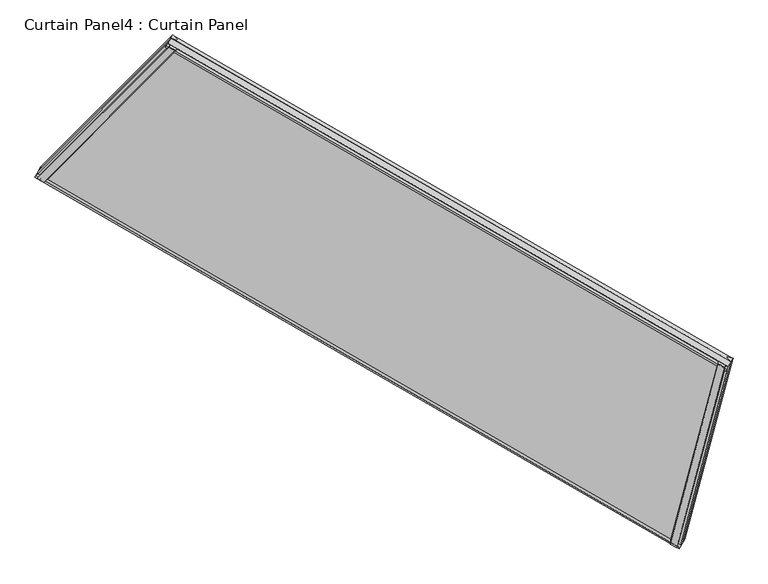
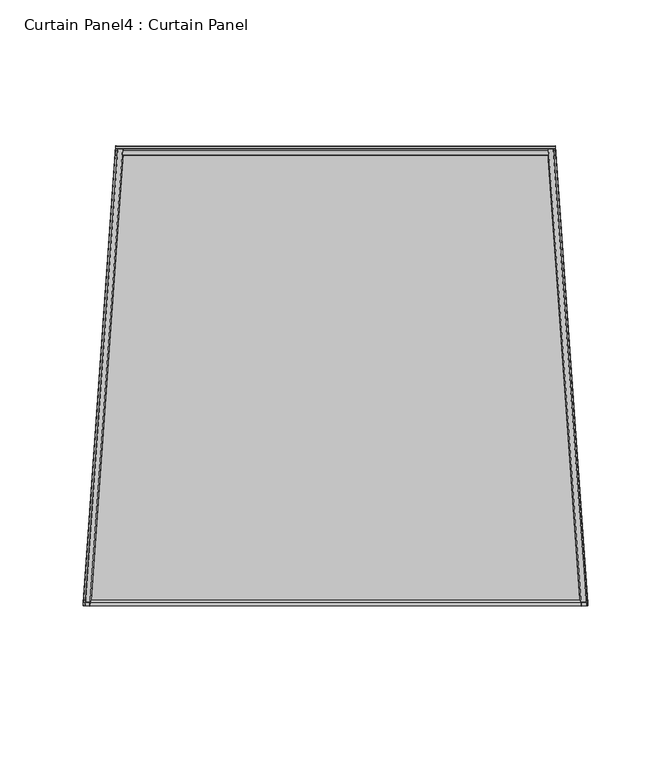
"""IFC4 building model written with IfcOpenShell, lengths in millimetres: plate geometry, Curtain Panel4 : Curtain Panel."""

from ifc_helpers import new_model, si_unit, frame, origin, place, context, project, spatial, polyline, outline, extrude, source, transform, mapped, element, save


def curtain_panel4_curtain_panel_b0012179(model_context):
    return source(origin(), model_context, "Body", "SweptSolid", [
        extrude(outline(polyline([(22.2794791, -5.8689468), (22.2882718, -20.9890896), (17.5121093, -24.070989), (17.5015261, -5.8717253), (22.2794791, -5.8689468)])), frame((-12998.8273653, -16622.2252536, 980.3279056), z_axis=(0.0669872981077817, 0.2499999999999978, 0.9659258262890689), x_axis=(-0.4840501729431853, -0.8383994929501041, 0.2505628070857303)), (0.0, 0.0, 1.0), 1495.6897943),
        extrude(outline(polyline([(-1.6371093, 0.0), (4.7128907, 1e-07), (4.7128906, -11.4749739), (-0.0826891, -12.7161612), (-3.2648368, -0.4212868), (-1.6371093, 0.0)])), frame((-12998.8273653, -16622.2252536, 980.3279056), z_axis=(0.0669872981077817, 0.2499999999999978, 0.9659258262890689), x_axis=(-0.4840501729431853, -0.8383994929501041, 0.2505628070857303)), (0.0, 0.0, 1.0), 1495.6897943),
        extrude(outline(polyline([(22.2794791, 5.8689468), (17.5015261, 5.8717253), (17.5121093, 24.070989), (22.2882717, 20.9890896), (22.2794791, 5.8689468)])), frame((-14336.6112841, -15849.855348, 980.3279056), z_axis=(0.18301270189221613, 0.18301270189221988, 0.9659258262890689), x_axis=(-0.48405017294318536, -0.838399492950104, 0.25056280708573025)), (0.0, 0.0, 1.0), 1495.6897943),
        extrude(outline(polyline([(-1.6371094, 0.0), (-3.2648368, 0.4212869), (-0.0826892, 12.7161612), (4.7128906, 11.4749739), (4.7128906, 0.0), (-1.6371094, 0.0)])), frame((-14336.6112841, -15849.855348, 980.3279056), z_axis=(0.18301270189221613, 0.18301270189221988, 0.9659258262890689), x_axis=(-0.48405017294318536, -0.838399492950104, 0.25056280708573025)), (0.0, 0.0, 1.0), 1495.6897943),
        extrude(outline(polyline([(4.7128906, 0.0), (-0.0992187, 0.0), (-0.0992188, 10.3383034), (4.7128907, 11.5612583), (4.7128906, 0.0)])), frame((-12998.8260194, -16622.1827711, 980.472655), z_axis=(-0.86602540378444, 0.49999999999999784, 0.0), x_axis=(-0.48405017294318536, -0.8383994929501041, 0.25056280708573037)), (0.0, 0.0, 1.0), 1544.6996588),
        extrude(outline(polyline([(17.5121094, 16.9465983), (22.3807368, 12.4442107), (22.3807368, 0.0), (17.5121093, 0.0), (17.5121094, 16.9465983)])), frame((-12998.8260194, -16622.1827711, 980.472655), z_axis=(-0.86602540378444, 0.49999999999999784, 0.0), x_axis=(-0.48405017294318536, -0.8383994929501041, 0.25056280708573037)), (0.0, 0.0, 1.0), 1544.6996588),
        extrude(outline(polyline([(4.7109215, 0.1420221), (4.7109215, -13.7274996), (-0.2337386, -12.6476791), (-3.0180497, -1.8789561), (4.7109215, 0.1420221)])), frame((-12898.6338162, -16248.2603139, 2425.1980554), z_axis=(-0.8660254037844399, 0.49999999999999806, 0.0), x_axis=(-0.48405017294318536, -0.8383994929501041, 0.25056280708573037)), (0.0, 0.0, 1.0), 1344.315188),
        extrude(outline(polyline([(22.1643666, -21.9434845), (17.5101402, -24.215396), (17.5101402, -4.0154203), (22.3107486, -5.2811134), (22.1643666, -21.9434845)])), frame((-12898.6338162, -16248.2603139, 2425.1980554), z_axis=(-0.8660254037844399, 0.49999999999999806, 0.0), x_axis=(-0.48405017294318536, -0.8383994929501041, 0.25056280708573037)), (0.0, 0.0, 1.0), 1344.315188),
        extrude(outline(polyline([(-69.2031684, -1e-07), (-172.6797697, -1541.2500287), (-1654.946352, -1341.3156903), (-1564.8929626, 0.0), (-69.2031684, -1e-07)])), frame((-13005.7343356, -16643.4398669, 914.8084025), z_axis=(-0.48405017294318536, -0.8383994929501041, 0.25056280708573037), x_axis=(-0.06698729810778142, -0.24999999999999797, -0.9659258262890688)), (0.0, 0.0, 1.0), 12.7992187),
    ])


if __name__ == "__main__":
    model = new_model("IFC4")
    model_context = context("Model", 3, world=origin())
    ifc_project = project(units=[si_unit("LENGTHUNIT", "METRE", prefix="MILLI")], contexts=[model_context])
    site = spatial("IfcSite", under=ifc_project)
    building = spatial("IfcBuilding", under=site)
    placement = place(None, origin())
    curtain_panel4_curtain_panel_shape = curtain_panel4_curtain_panel_b0012179(model_context)
    element("IfcPlate", 1, ObjectType="Curtain Panel4 : Curtain Panel", at=placement, inside=building, context=model_context, shape_type="MappedRepresentation", body=[
        mapped(curtain_panel4_curtain_panel_shape, transform((0.0, 0.0, 0.0), x_axis=(1.0, 0.0, 0.0), y_axis=(0.0, 1.0, 0.0), z_axis=(0.0, 0.0, 1.0))),
    ])
    save(model, "model.ifc")
